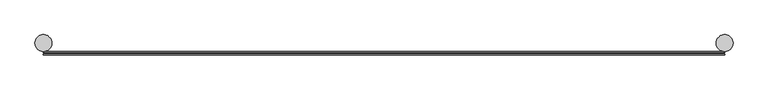
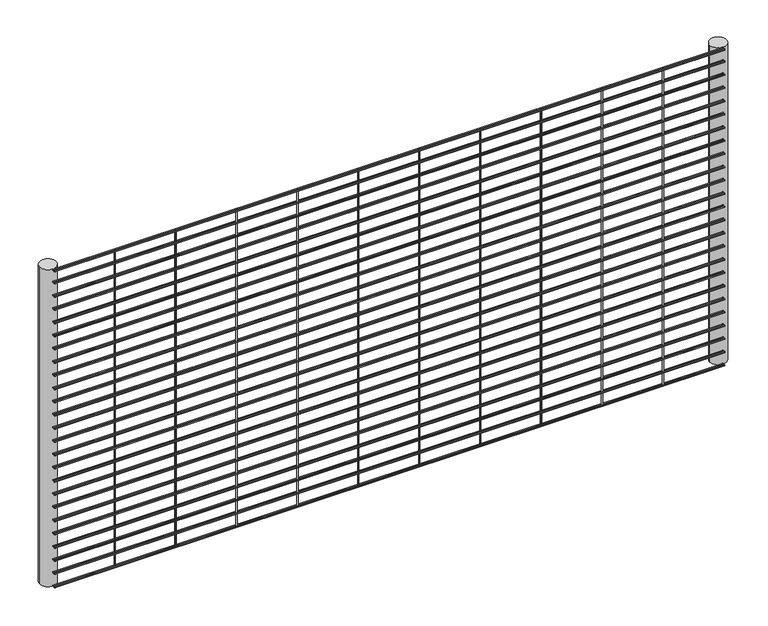
"""IFC4 building model written with IfcOpenShell, lengths in millimetres: railing geometry."""

from ifc_helpers import new_model, si_unit, point, frame, frame_2d, origin, place, context, project, spatial, circle_curve, trimmed, segment, composite_curve, outline, extrude, source, transform, mapped, element, save


def railing_84086abd(model_context):
    return source(origin(), model_context, "Body", "SweptSolid", [
        extrude(outline(composite_curve([segment(trimmed(circle_curve(frame_2d((6980.1754923, 54556.81875)), 2.0574), [point((6982.2328923, 54556.81875))], [point((6978.1180923, 54556.81875))], False, "CARTESIAN"), True, "CONTINUOUS"), segment(trimmed(circle_curve(frame_2d((6980.1754923, 54556.81875)), 2.0574), [point((6978.1180923, 54556.81875))], [point((6982.2328923, 54556.81875))], False, "CARTESIAN"), True, "CONTINUOUS")], self_intersect=False)), frame((-11489.0860839, 0.0, 0.0), z_axis=(1.0, 0.0, 0.0), x_axis=(0.0, 1.0, 0.0)), (0.0, 0.0, 1.0), 2438.4),
        extrude(outline(composite_curve([segment(trimmed(circle_curve(frame_2d((6988.3114298, 54556.81875)), 2.0574), [point((6990.3688298, 54556.81875))], [point((6986.2540298, 54556.81875))], False, "CARTESIAN"), True, "CONTINUOUS"), segment(trimmed(circle_curve(frame_2d((6988.3114298, 54556.81875)), 2.0574), [point((6986.2540298, 54556.81875))], [point((6990.3688298, 54556.81875))], False, "CARTESIAN"), True, "CONTINUOUS")], self_intersect=False)), frame((-11489.0860839, 0.0, 0.0), z_axis=(1.0, 0.0, 0.0), x_axis=(0.0, 1.0, 0.0)), (0.0, 0.0, 1.0), 2438.4),
        extrude(outline(composite_curve([segment(trimmed(circle_curve(frame_2d((6980.1754923, 54510.4835937)), 2.0574), [point((6982.2328923, 54510.4835937))], [point((6978.1180923, 54510.4835937))], False, "CARTESIAN"), True, "CONTINUOUS"), segment(trimmed(circle_curve(frame_2d((6980.1754923, 54510.4835937)), 2.0574), [point((6978.1180923, 54510.4835937))], [point((6982.2328923, 54510.4835937))], False, "CARTESIAN"), True, "CONTINUOUS")], self_intersect=False)), frame((-11489.0860839, 0.0, 0.0), z_axis=(1.0, 0.0, 0.0), x_axis=(0.0, 1.0, 0.0)), (0.0, 0.0, 1.0), 2438.4),
        extrude(outline(composite_curve([segment(trimmed(circle_curve(frame_2d((6988.3114298, 54510.4835937)), 2.0574), [point((6990.3688298, 54510.4835937))], [point((6986.2540298, 54510.4835937))], False, "CARTESIAN"), True, "CONTINUOUS"), segment(trimmed(circle_curve(frame_2d((6988.3114298, 54510.4835937)), 2.0574), [point((6986.2540298, 54510.4835937))], [point((6990.3688298, 54510.4835937))], False, "CARTESIAN"), True, "CONTINUOUS")], self_intersect=False)), frame((-11489.0860839, 0.0, 0.0), z_axis=(1.0, 0.0, 0.0), x_axis=(0.0, 1.0, 0.0)), (0.0, 0.0, 1.0), 2438.4),
        extrude(outline(composite_curve([segment(trimmed(circle_curve(frame_2d((6980.1754923, 54459.6835937)), 2.0574), [point((6982.2328923, 54459.6835937))], [point((6978.1180923, 54459.6835937))], False, "CARTESIAN"), True, "CONTINUOUS"), segment(trimmed(circle_curve(frame_2d((6980.1754923, 54459.6835937)), 2.0574), [point((6978.1180923, 54459.6835937))], [point((6982.2328923, 54459.6835937))], False, "CARTESIAN"), True, "CONTINUOUS")], self_intersect=False)), frame((-11489.0860839, 0.0, 0.0), z_axis=(1.0, 0.0, 0.0), x_axis=(0.0, 1.0, 0.0)), (0.0, 0.0, 1.0), 2438.4),
        extrude(outline(composite_curve([segment(trimmed(circle_curve(frame_2d((6988.3114298, 54459.6835937)), 2.0574), [point((6990.3688298, 54459.6835937))], [point((6986.2540298, 54459.6835937))], False, "CARTESIAN"), True, "CONTINUOUS"), segment(trimmed(circle_curve(frame_2d((6988.3114298, 54459.6835937)), 2.0574), [point((6986.2540298, 54459.6835937))], [point((6990.3688298, 54459.6835937))], False, "CARTESIAN"), True, "CONTINUOUS")], self_intersect=False)), frame((-11489.0860839, 0.0, 0.0), z_axis=(1.0, 0.0, 0.0), x_axis=(0.0, 1.0, 0.0)), (0.0, 0.0, 1.0), 2438.4),
        extrude(outline(composite_curve([segment(trimmed(circle_curve(frame_2d((6980.1754923, 54408.8835937)), 2.0574), [point((6982.2328923, 54408.8835937))], [point((6978.1180923, 54408.8835937))], False, "CARTESIAN"), True, "CONTINUOUS"), segment(trimmed(circle_curve(frame_2d((6980.1754923, 54408.8835937)), 2.0574), [point((6978.1180923, 54408.8835937))], [point((6982.2328923, 54408.8835937))], False, "CARTESIAN"), True, "CONTINUOUS")], self_intersect=False)), frame((-11489.0860839, 0.0, 0.0), z_axis=(1.0, 0.0, 0.0), x_axis=(0.0, 1.0, 0.0)), (0.0, 0.0, 1.0), 2438.4),
        extrude(outline(composite_curve([segment(trimmed(circle_curve(frame_2d((6988.3114298, 54408.8835937)), 2.0574), [point((6990.3688298, 54408.8835937))], [point((6986.2540298, 54408.8835937))], False, "CARTESIAN"), True, "CONTINUOUS"), segment(trimmed(circle_curve(frame_2d((6988.3114298, 54408.8835937)), 2.0574), [point((6986.2540298, 54408.8835937))], [point((6990.3688298, 54408.8835937))], False, "CARTESIAN"), True, "CONTINUOUS")], self_intersect=False)), frame((-11489.0860839, 0.0, 0.0), z_axis=(1.0, 0.0, 0.0), x_axis=(0.0, 1.0, 0.0)), (0.0, 0.0, 1.0), 2438.4),
        extrude(outline(composite_curve([segment(trimmed(circle_curve(frame_2d((6980.1754923, 54358.0835937)), 2.0574), [point((6982.2328923, 54358.0835937))], [point((6978.1180923, 54358.0835937))], False, "CARTESIAN"), True, "CONTINUOUS"), segment(trimmed(circle_curve(frame_2d((6980.1754923, 54358.0835937)), 2.0574), [point((6978.1180923, 54358.0835937))], [point((6982.2328923, 54358.0835937))], False, "CARTESIAN"), True, "CONTINUOUS")], self_intersect=False)), frame((-11489.0860839, 0.0, 0.0), z_axis=(1.0, 0.0, 0.0), x_axis=(0.0, 1.0, 0.0)), (0.0, 0.0, 1.0), 2438.4),
        extrude(outline(composite_curve([segment(trimmed(circle_curve(frame_2d((6988.3114298, 54358.0835937)), 2.0574), [point((6990.3688298, 54358.0835937))], [point((6986.2540298, 54358.0835937))], False, "CARTESIAN"), True, "CONTINUOUS"), segment(trimmed(circle_curve(frame_2d((6988.3114298, 54358.0835937)), 2.0574), [point((6986.2540298, 54358.0835937))], [point((6990.3688298, 54358.0835937))], False, "CARTESIAN"), True, "CONTINUOUS")], self_intersect=False)), frame((-11489.0860839, 0.0, 0.0), z_axis=(1.0, 0.0, 0.0), x_axis=(0.0, 1.0, 0.0)), (0.0, 0.0, 1.0), 2438.4),
        extrude(outline(composite_curve([segment(trimmed(circle_curve(frame_2d((6980.1754923, 54307.2835937)), 2.0574), [point((6982.2328923, 54307.2835937))], [point((6978.1180923, 54307.2835937))], False, "CARTESIAN"), True, "CONTINUOUS"), segment(trimmed(circle_curve(frame_2d((6980.1754923, 54307.2835937)), 2.0574), [point((6978.1180923, 54307.2835937))], [point((6982.2328923, 54307.2835937))], False, "CARTESIAN"), True, "CONTINUOUS")], self_intersect=False)), frame((-11489.0860839, 0.0, 0.0), z_axis=(1.0, 0.0, 0.0), x_axis=(0.0, 1.0, 0.0)), (0.0, 0.0, 1.0), 2438.4),
        extrude(outline(composite_curve([segment(trimmed(circle_curve(frame_2d((6988.3114298, 54307.2835937)), 2.0574), [point((6990.3688298, 54307.2835937))], [point((6986.2540298, 54307.2835937))], False, "CARTESIAN"), True, "CONTINUOUS"), segment(trimmed(circle_curve(frame_2d((6988.3114298, 54307.2835937)), 2.0574), [point((6986.2540298, 54307.2835937))], [point((6990.3688298, 54307.2835937))], False, "CARTESIAN"), True, "CONTINUOUS")], self_intersect=False)), frame((-11489.0860839, 0.0, 0.0), z_axis=(1.0, 0.0, 0.0), x_axis=(0.0, 1.0, 0.0)), (0.0, 0.0, 1.0), 2438.4),
        extrude(outline(composite_curve([segment(trimmed(circle_curve(frame_2d((6980.1754923, 54256.4835937)), 2.0574), [point((6982.2328923, 54256.4835937))], [point((6978.1180923, 54256.4835937))], False, "CARTESIAN"), True, "CONTINUOUS"), segment(trimmed(circle_curve(frame_2d((6980.1754923, 54256.4835937)), 2.0574), [point((6978.1180923, 54256.4835937))], [point((6982.2328923, 54256.4835937))], False, "CARTESIAN"), True, "CONTINUOUS")], self_intersect=False)), frame((-11489.0860839, 0.0, 0.0), z_axis=(1.0, 0.0, 0.0), x_axis=(0.0, 1.0, 0.0)), (0.0, 0.0, 1.0), 2438.4),
        extrude(outline(composite_curve([segment(trimmed(circle_curve(frame_2d((6988.3114298, 54256.4835937)), 2.0574), [point((6990.3688298, 54256.4835937))], [point((6986.2540298, 54256.4835937))], False, "CARTESIAN"), True, "CONTINUOUS"), segment(trimmed(circle_curve(frame_2d((6988.3114298, 54256.4835937)), 2.0574), [point((6986.2540298, 54256.4835937))], [point((6990.3688298, 54256.4835937))], False, "CARTESIAN"), True, "CONTINUOUS")], self_intersect=False)), frame((-11489.0860839, 0.0, 0.0), z_axis=(1.0, 0.0, 0.0), x_axis=(0.0, 1.0, 0.0)), (0.0, 0.0, 1.0), 2438.4),
        extrude(outline(composite_curve([segment(trimmed(circle_curve(frame_2d((6980.1754923, 54205.6835937)), 2.0574), [point((6982.2328923, 54205.6835937))], [point((6978.1180923, 54205.6835937))], False, "CARTESIAN"), True, "CONTINUOUS"), segment(trimmed(circle_curve(frame_2d((6980.1754923, 54205.6835937)), 2.0574), [point((6978.1180923, 54205.6835937))], [point((6982.2328923, 54205.6835937))], False, "CARTESIAN"), True, "CONTINUOUS")], self_intersect=False)), frame((-11489.0860839, 0.0, 0.0), z_axis=(1.0, 0.0, 0.0), x_axis=(0.0, 1.0, 0.0)), (0.0, 0.0, 1.0), 2438.4),
        extrude(outline(composite_curve([segment(trimmed(circle_curve(frame_2d((6988.3114298, 54205.6835937)), 2.0574), [point((6990.3688298, 54205.6835937))], [point((6986.2540298, 54205.6835937))], False, "CARTESIAN"), True, "CONTINUOUS"), segment(trimmed(circle_curve(frame_2d((6988.3114298, 54205.6835937)), 2.0574), [point((6986.2540298, 54205.6835937))], [point((6990.3688298, 54205.6835937))], False, "CARTESIAN"), True, "CONTINUOUS")], self_intersect=False)), frame((-11489.0860839, 0.0, 0.0), z_axis=(1.0, 0.0, 0.0), x_axis=(0.0, 1.0, 0.0)), (0.0, 0.0, 1.0), 2438.4),
        extrude(outline(composite_curve([segment(trimmed(circle_curve(frame_2d((6980.1754923, 54154.8835937)), 2.0574), [point((6982.2328923, 54154.8835937))], [point((6978.1180923, 54154.8835937))], False, "CARTESIAN"), True, "CONTINUOUS"), segment(trimmed(circle_curve(frame_2d((6980.1754923, 54154.8835937)), 2.0574), [point((6978.1180923, 54154.8835937))], [point((6982.2328923, 54154.8835937))], False, "CARTESIAN"), True, "CONTINUOUS")], self_intersect=False)), frame((-11489.0860839, 0.0, 0.0), z_axis=(1.0, 0.0, 0.0), x_axis=(0.0, 1.0, 0.0)), (0.0, 0.0, 1.0), 2438.4),
        extrude(outline(composite_curve([segment(trimmed(circle_curve(frame_2d((6988.3114298, 54154.8835937)), 2.0574), [point((6990.3688298, 54154.8835937))], [point((6986.2540298, 54154.8835937))], False, "CARTESIAN"), True, "CONTINUOUS"), segment(trimmed(circle_curve(frame_2d((6988.3114298, 54154.8835937)), 2.0574), [point((6986.2540298, 54154.8835937))], [point((6990.3688298, 54154.8835937))], False, "CARTESIAN"), True, "CONTINUOUS")], self_intersect=False)), frame((-11489.0860839, 0.0, 0.0), z_axis=(1.0, 0.0, 0.0), x_axis=(0.0, 1.0, 0.0)), (0.0, 0.0, 1.0), 2438.4),
        extrude(outline(composite_curve([segment(trimmed(circle_curve(frame_2d((6980.1754923, 54104.0835937)), 2.0574), [point((6982.2328923, 54104.0835937))], [point((6978.1180923, 54104.0835937))], False, "CARTESIAN"), True, "CONTINUOUS"), segment(trimmed(circle_curve(frame_2d((6980.1754923, 54104.0835937)), 2.0574), [point((6978.1180923, 54104.0835937))], [point((6982.2328923, 54104.0835937))], False, "CARTESIAN"), True, "CONTINUOUS")], self_intersect=False)), frame((-11489.0860839, 0.0, 0.0), z_axis=(1.0, 0.0, 0.0), x_axis=(0.0, 1.0, 0.0)), (0.0, 0.0, 1.0), 2438.4),
        extrude(outline(composite_curve([segment(trimmed(circle_curve(frame_2d((6988.3114298, 54104.0835937)), 2.0574), [point((6990.3688298, 54104.0835937))], [point((6986.2540298, 54104.0835937))], False, "CARTESIAN"), True, "CONTINUOUS"), segment(trimmed(circle_curve(frame_2d((6988.3114298, 54104.0835937)), 2.0574), [point((6986.2540298, 54104.0835937))], [point((6990.3688298, 54104.0835937))], False, "CARTESIAN"), True, "CONTINUOUS")], self_intersect=False)), frame((-11489.0860839, 0.0, 0.0), z_axis=(1.0, 0.0, 0.0), x_axis=(0.0, 1.0, 0.0)), (0.0, 0.0, 1.0), 2438.4),
        extrude(outline(composite_curve([segment(trimmed(circle_curve(frame_2d((6980.1754923, 54053.2835937)), 2.0574), [point((6982.2328923, 54053.2835937))], [point((6978.1180923, 54053.2835937))], False, "CARTESIAN"), True, "CONTINUOUS"), segment(trimmed(circle_curve(frame_2d((6980.1754923, 54053.2835937)), 2.0574), [point((6978.1180923, 54053.2835937))], [point((6982.2328923, 54053.2835937))], False, "CARTESIAN"), True, "CONTINUOUS")], self_intersect=False)), frame((-11489.0860839, 0.0, 0.0), z_axis=(1.0, 0.0, 0.0), x_axis=(0.0, 1.0, 0.0)), (0.0, 0.0, 1.0), 2438.4),
        extrude(outline(composite_curve([segment(trimmed(circle_curve(frame_2d((6988.3114298, 54053.2835937)), 2.0574), [point((6990.3688298, 54053.2835937))], [point((6986.2540298, 54053.2835937))], False, "CARTESIAN"), True, "CONTINUOUS"), segment(trimmed(circle_curve(frame_2d((6988.3114298, 54053.2835937)), 2.0574), [point((6986.2540298, 54053.2835937))], [point((6990.3688298, 54053.2835937))], False, "CARTESIAN"), True, "CONTINUOUS")], self_intersect=False)), frame((-11489.0860839, 0.0, 0.0), z_axis=(1.0, 0.0, 0.0), x_axis=(0.0, 1.0, 0.0)), (0.0, 0.0, 1.0), 2438.4),
        extrude(outline(composite_curve([segment(trimmed(circle_curve(frame_2d((6980.1754923, 54002.4835937)), 2.0574), [point((6982.2328923, 54002.4835937))], [point((6978.1180923, 54002.4835937))], False, "CARTESIAN"), True, "CONTINUOUS"), segment(trimmed(circle_curve(frame_2d((6980.1754923, 54002.4835937)), 2.0574), [point((6978.1180923, 54002.4835937))], [point((6982.2328923, 54002.4835937))], False, "CARTESIAN"), True, "CONTINUOUS")], self_intersect=False)), frame((-11489.0860839, 0.0, 0.0), z_axis=(1.0, 0.0, 0.0), x_axis=(0.0, 1.0, 0.0)), (0.0, 0.0, 1.0), 2438.4),
        extrude(outline(composite_curve([segment(trimmed(circle_curve(frame_2d((6988.3114298, 54002.4835937)), 2.0574), [point((6990.3688298, 54002.4835937))], [point((6986.2540298, 54002.4835937))], False, "CARTESIAN"), True, "CONTINUOUS"), segment(trimmed(circle_curve(frame_2d((6988.3114298, 54002.4835937)), 2.0574), [point((6986.2540298, 54002.4835937))], [point((6990.3688298, 54002.4835937))], False, "CARTESIAN"), True, "CONTINUOUS")], self_intersect=False)), frame((-11489.0860839, 0.0, 0.0), z_axis=(1.0, 0.0, 0.0), x_axis=(0.0, 1.0, 0.0)), (0.0, 0.0, 1.0), 2438.4),
        extrude(outline(composite_curve([segment(trimmed(circle_curve(frame_2d((6980.1754923, 53951.6835937)), 2.0574), [point((6982.2328923, 53951.6835937))], [point((6978.1180923, 53951.6835937))], False, "CARTESIAN"), True, "CONTINUOUS"), segment(trimmed(circle_curve(frame_2d((6980.1754923, 53951.6835937)), 2.0574), [point((6978.1180923, 53951.6835937))], [point((6982.2328923, 53951.6835937))], False, "CARTESIAN"), True, "CONTINUOUS")], self_intersect=False)), frame((-11489.0860839, 0.0, 0.0), z_axis=(1.0, 0.0, 0.0), x_axis=(0.0, 1.0, 0.0)), (0.0, 0.0, 1.0), 2438.4),
        extrude(outline(composite_curve([segment(trimmed(circle_curve(frame_2d((6988.3114298, 53951.6835937)), 2.0574), [point((6990.3688298, 53951.6835937))], [point((6986.2540298, 53951.6835937))], False, "CARTESIAN"), True, "CONTINUOUS"), segment(trimmed(circle_curve(frame_2d((6988.3114298, 53951.6835937)), 2.0574), [point((6986.2540298, 53951.6835937))], [point((6990.3688298, 53951.6835937))], False, "CARTESIAN"), True, "CONTINUOUS")], self_intersect=False)), frame((-11489.0860839, 0.0, 0.0), z_axis=(1.0, 0.0, 0.0), x_axis=(0.0, 1.0, 0.0)), (0.0, 0.0, 1.0), 2438.4),
        extrude(outline(composite_curve([segment(trimmed(circle_curve(frame_2d((6980.1754923, 53900.8835937)), 2.0574), [point((6982.2328923, 53900.8835937))], [point((6978.1180923, 53900.8835937))], False, "CARTESIAN"), True, "CONTINUOUS"), segment(trimmed(circle_curve(frame_2d((6980.1754923, 53900.8835937)), 2.0574), [point((6978.1180923, 53900.8835937))], [point((6982.2328923, 53900.8835937))], False, "CARTESIAN"), True, "CONTINUOUS")], self_intersect=False)), frame((-11489.0860839, 0.0, 0.0), z_axis=(1.0, 0.0, 0.0), x_axis=(0.0, 1.0, 0.0)), (0.0, 0.0, 1.0), 2438.4),
        extrude(outline(composite_curve([segment(trimmed(circle_curve(frame_2d((6988.3114298, 53900.8835937)), 2.0574), [point((6990.3688298, 53900.8835937))], [point((6986.2540298, 53900.8835937))], False, "CARTESIAN"), True, "CONTINUOUS"), segment(trimmed(circle_curve(frame_2d((6988.3114298, 53900.8835937)), 2.0574), [point((6986.2540298, 53900.8835937))], [point((6990.3688298, 53900.8835937))], False, "CARTESIAN"), True, "CONTINUOUS")], self_intersect=False)), frame((-11489.0860839, 0.0, 0.0), z_axis=(1.0, 0.0, 0.0), x_axis=(0.0, 1.0, 0.0)), (0.0, 0.0, 1.0), 2438.4),
        extrude(outline(composite_curve([segment(trimmed(circle_curve(frame_2d((6980.1754923, 53850.0835937)), 2.0574), [point((6982.2328923, 53850.0835937))], [point((6978.1180923, 53850.0835937))], False, "CARTESIAN"), True, "CONTINUOUS"), segment(trimmed(circle_curve(frame_2d((6980.1754923, 53850.0835937)), 2.0574), [point((6978.1180923, 53850.0835937))], [point((6982.2328923, 53850.0835937))], False, "CARTESIAN"), True, "CONTINUOUS")], self_intersect=False)), frame((-11489.0860839, 0.0, 0.0), z_axis=(1.0, 0.0, 0.0), x_axis=(0.0, 1.0, 0.0)), (0.0, 0.0, 1.0), 2438.4),
        extrude(outline(composite_curve([segment(trimmed(circle_curve(frame_2d((6988.3114298, 53850.0835937)), 2.0574), [point((6990.3688298, 53850.0835937))], [point((6986.2540298, 53850.0835937))], False, "CARTESIAN"), True, "CONTINUOUS"), segment(trimmed(circle_curve(frame_2d((6988.3114298, 53850.0835937)), 2.0574), [point((6986.2540298, 53850.0835937))], [point((6990.3688298, 53850.0835937))], False, "CARTESIAN"), True, "CONTINUOUS")], self_intersect=False)), frame((-11489.0860839, 0.0, 0.0), z_axis=(1.0, 0.0, 0.0), x_axis=(0.0, 1.0, 0.0)), (0.0, 0.0, 1.0), 2438.4),
        extrude(outline(composite_curve([segment(trimmed(circle_curve(frame_2d((6980.1754923, 53799.2835937)), 2.0574), [point((6982.2328923, 53799.2835937))], [point((6978.1180923, 53799.2835937))], False, "CARTESIAN"), True, "CONTINUOUS"), segment(trimmed(circle_curve(frame_2d((6980.1754923, 53799.2835937)), 2.0574), [point((6978.1180923, 53799.2835937))], [point((6982.2328923, 53799.2835937))], False, "CARTESIAN"), True, "CONTINUOUS")], self_intersect=False)), frame((-11489.0860839, 0.0, 0.0), z_axis=(1.0, 0.0, 0.0), x_axis=(0.0, 1.0, 0.0)), (0.0, 0.0, 1.0), 2438.4),
        extrude(outline(composite_curve([segment(trimmed(circle_curve(frame_2d((6988.3114298, 53799.2835937)), 2.0574), [point((6990.3688298, 53799.2835937))], [point((6986.2540298, 53799.2835937))], False, "CARTESIAN"), True, "CONTINUOUS"), segment(trimmed(circle_curve(frame_2d((6988.3114298, 53799.2835937)), 2.0574), [point((6986.2540298, 53799.2835937))], [point((6990.3688298, 53799.2835937))], False, "CARTESIAN"), True, "CONTINUOUS")], self_intersect=False)), frame((-11489.0860839, 0.0, 0.0), z_axis=(1.0, 0.0, 0.0), x_axis=(0.0, 1.0, 0.0)), (0.0, 0.0, 1.0), 2438.4),
        extrude(outline(composite_curve([segment(trimmed(circle_curve(frame_2d((6980.1754923, 53748.4835937)), 2.0574), [point((6982.2328923, 53748.4835937))], [point((6978.1180923, 53748.4835937))], False, "CARTESIAN"), True, "CONTINUOUS"), segment(trimmed(circle_curve(frame_2d((6980.1754923, 53748.4835937)), 2.0574), [point((6978.1180923, 53748.4835937))], [point((6982.2328923, 53748.4835937))], False, "CARTESIAN"), True, "CONTINUOUS")], self_intersect=False)), frame((-11489.0860839, 0.0, 0.0), z_axis=(1.0, 0.0, 0.0), x_axis=(0.0, 1.0, 0.0)), (0.0, 0.0, 1.0), 2438.4),
        extrude(outline(composite_curve([segment(trimmed(circle_curve(frame_2d((6988.3114298, 53748.4835937)), 2.0574), [point((6990.3688298, 53748.4835937))], [point((6986.2540298, 53748.4835937))], False, "CARTESIAN"), True, "CONTINUOUS"), segment(trimmed(circle_curve(frame_2d((6988.3114298, 53748.4835937)), 2.0574), [point((6986.2540298, 53748.4835937))], [point((6990.3688298, 53748.4835937))], False, "CARTESIAN"), True, "CONTINUOUS")], self_intersect=False)), frame((-11489.0860839, 0.0, 0.0), z_axis=(1.0, 0.0, 0.0), x_axis=(0.0, 1.0, 0.0)), (0.0, 0.0, 1.0), 2438.4),
        extrude(outline(composite_curve([segment(trimmed(circle_curve(frame_2d((6980.1754923, 53697.6835937)), 2.0574), [point((6982.2328923, 53697.6835937))], [point((6978.1180923, 53697.6835937))], False, "CARTESIAN"), True, "CONTINUOUS"), segment(trimmed(circle_curve(frame_2d((6980.1754923, 53697.6835937)), 2.0574), [point((6978.1180923, 53697.6835937))], [point((6982.2328923, 53697.6835937))], False, "CARTESIAN"), True, "CONTINUOUS")], self_intersect=False)), frame((-11489.0860839, 0.0, 0.0), z_axis=(1.0, 0.0, 0.0), x_axis=(0.0, 1.0, 0.0)), (0.0, 0.0, 1.0), 2438.4),
        extrude(outline(composite_curve([segment(trimmed(circle_curve(frame_2d((6988.3114298, 53697.6835937)), 2.0574), [point((6990.3688298, 53697.6835937))], [point((6986.2540298, 53697.6835937))], False, "CARTESIAN"), True, "CONTINUOUS"), segment(trimmed(circle_curve(frame_2d((6988.3114298, 53697.6835937)), 2.0574), [point((6986.2540298, 53697.6835937))], [point((6990.3688298, 53697.6835937))], False, "CARTESIAN"), True, "CONTINUOUS")], self_intersect=False)), frame((-11489.0860839, 0.0, 0.0), z_axis=(1.0, 0.0, 0.0), x_axis=(0.0, 1.0, 0.0)), (0.0, 0.0, 1.0), 2438.4),
        extrude(outline(composite_curve([segment(trimmed(circle_curve(frame_2d((6980.1754923, 53646.8835937)), 2.0574), [point((6982.2328923, 53646.8835937))], [point((6978.1180923, 53646.8835937))], False, "CARTESIAN"), True, "CONTINUOUS"), segment(trimmed(circle_curve(frame_2d((6980.1754923, 53646.8835937)), 2.0574), [point((6978.1180923, 53646.8835937))], [point((6982.2328923, 53646.8835937))], False, "CARTESIAN"), True, "CONTINUOUS")], self_intersect=False)), frame((-11489.0860839, 0.0, 0.0), z_axis=(1.0, 0.0, 0.0), x_axis=(0.0, 1.0, 0.0)), (0.0, 0.0, 1.0), 2438.4),
        extrude(outline(composite_curve([segment(trimmed(circle_curve(frame_2d((6988.3114298, 53646.8835937)), 2.0574), [point((6990.3688298, 53646.8835937))], [point((6986.2540298, 53646.8835937))], False, "CARTESIAN"), True, "CONTINUOUS"), segment(trimmed(circle_curve(frame_2d((6988.3114298, 53646.8835937)), 2.0574), [point((6986.2540298, 53646.8835937))], [point((6990.3688298, 53646.8835937))], False, "CARTESIAN"), True, "CONTINUOUS")], self_intersect=False)), frame((-11489.0860839, 0.0, 0.0), z_axis=(1.0, 0.0, 0.0), x_axis=(0.0, 1.0, 0.0)), (0.0, 0.0, 1.0), 2438.4),
        extrude(outline(composite_curve([segment(trimmed(circle_curve(frame_2d((6980.1754923, 53596.0835937)), 2.0574), [point((6982.2328923, 53596.0835937))], [point((6978.1180923, 53596.0835937))], False, "CARTESIAN"), True, "CONTINUOUS"), segment(trimmed(circle_curve(frame_2d((6980.1754923, 53596.0835937)), 2.0574), [point((6978.1180923, 53596.0835937))], [point((6982.2328923, 53596.0835937))], False, "CARTESIAN"), True, "CONTINUOUS")], self_intersect=False)), frame((-11489.0860839, 0.0, 0.0), z_axis=(1.0, 0.0, 0.0), x_axis=(0.0, 1.0, 0.0)), (0.0, 0.0, 1.0), 2438.4),
        extrude(outline(composite_curve([segment(trimmed(circle_curve(frame_2d((6988.3114298, 53596.0835937)), 2.0574), [point((6990.3688298, 53596.0835937))], [point((6986.2540298, 53596.0835937))], False, "CARTESIAN"), True, "CONTINUOUS"), segment(trimmed(circle_curve(frame_2d((6988.3114298, 53596.0835937)), 2.0574), [point((6986.2540298, 53596.0835937))], [point((6990.3688298, 53596.0835937))], False, "CARTESIAN"), True, "CONTINUOUS")], self_intersect=False)), frame((-11489.0860839, 0.0, 0.0), z_axis=(1.0, 0.0, 0.0), x_axis=(0.0, 1.0, 0.0)), (0.0, 0.0, 1.0), 2438.4),
        extrude(outline(composite_curve([segment(trimmed(circle_curve(frame_2d((6980.1754923, 53545.2835937)), 2.0574), [point((6982.2328923, 53545.2835937))], [point((6978.1180923, 53545.2835937))], False, "CARTESIAN"), True, "CONTINUOUS"), segment(trimmed(circle_curve(frame_2d((6980.1754923, 53545.2835937)), 2.0574), [point((6978.1180923, 53545.2835937))], [point((6982.2328923, 53545.2835937))], False, "CARTESIAN"), True, "CONTINUOUS")], self_intersect=False)), frame((-11489.0860839, 0.0, 0.0), z_axis=(1.0, 0.0, 0.0), x_axis=(0.0, 1.0, 0.0)), (0.0, 0.0, 1.0), 2438.4),
        extrude(outline(composite_curve([segment(trimmed(circle_curve(frame_2d((6988.3114298, 53545.2835937)), 2.0574), [point((6990.3688298, 53545.2835937))], [point((6986.2540298, 53545.2835937))], False, "CARTESIAN"), True, "CONTINUOUS"), segment(trimmed(circle_curve(frame_2d((6988.3114298, 53545.2835937)), 2.0574), [point((6986.2540298, 53545.2835937))], [point((6990.3688298, 53545.2835937))], False, "CARTESIAN"), True, "CONTINUOUS")], self_intersect=False)), frame((-11489.0860839, 0.0, 0.0), z_axis=(1.0, 0.0, 0.0), x_axis=(0.0, 1.0, 0.0)), (0.0, 0.0, 1.0), 2438.4),
        extrude(outline(composite_curve([segment(trimmed(circle_curve(frame_2d((6980.1754923, 53494.4835937)), 2.0574), [point((6982.2328923, 53494.4835937))], [point((6978.1180923, 53494.4835937))], False, "CARTESIAN"), True, "CONTINUOUS"), segment(trimmed(circle_curve(frame_2d((6980.1754923, 53494.4835937)), 2.0574), [point((6978.1180923, 53494.4835937))], [point((6982.2328923, 53494.4835937))], False, "CARTESIAN"), True, "CONTINUOUS")], self_intersect=False)), frame((-11489.0860839, 0.0, 0.0), z_axis=(1.0, 0.0, 0.0), x_axis=(0.0, 1.0, 0.0)), (0.0, 0.0, 1.0), 2438.4),
        extrude(outline(composite_curve([segment(trimmed(circle_curve(frame_2d((6988.3114298, 53494.4835937)), 2.0574), [point((6990.3688298, 53494.4835937))], [point((6986.2540298, 53494.4835937))], False, "CARTESIAN"), True, "CONTINUOUS"), segment(trimmed(circle_curve(frame_2d((6988.3114298, 53494.4835937)), 2.0574), [point((6986.2540298, 53494.4835937))], [point((6990.3688298, 53494.4835937))], False, "CARTESIAN"), True, "CONTINUOUS")], self_intersect=False)), frame((-11489.0860839, 0.0, 0.0), z_axis=(1.0, 0.0, 0.0), x_axis=(0.0, 1.0, 0.0)), (0.0, 0.0, 1.0), 2438.4),
        extrude(outline(composite_curve([segment(trimmed(circle_curve(frame_2d((6980.1754923, 53443.6835937)), 2.0574), [point((6982.2328923, 53443.6835937))], [point((6978.1180923, 53443.6835937))], False, "CARTESIAN"), True, "CONTINUOUS"), segment(trimmed(circle_curve(frame_2d((6980.1754923, 53443.6835937)), 2.0574), [point((6978.1180923, 53443.6835937))], [point((6982.2328923, 53443.6835937))], False, "CARTESIAN"), True, "CONTINUOUS")], self_intersect=False)), frame((-11489.0860839, 0.0, 0.0), z_axis=(1.0, 0.0, 0.0), x_axis=(0.0, 1.0, 0.0)), (0.0, 0.0, 1.0), 2438.4),
        extrude(outline(composite_curve([segment(trimmed(circle_curve(frame_2d((6988.3114298, 53443.6835937)), 2.0574), [point((6990.3688298, 53443.6835937))], [point((6986.2540298, 53443.6835937))], False, "CARTESIAN"), True, "CONTINUOUS"), segment(trimmed(circle_curve(frame_2d((6988.3114298, 53443.6835937)), 2.0574), [point((6986.2540298, 53443.6835937))], [point((6990.3688298, 53443.6835937))], False, "CARTESIAN"), True, "CONTINUOUS")], self_intersect=False)), frame((-11489.0860839, 0.0, 0.0), z_axis=(1.0, 0.0, 0.0), x_axis=(0.0, 1.0, 0.0)), (0.0, 0.0, 1.0), 2438.4),
        extrude(outline(composite_curve([segment(trimmed(circle_curve(frame_2d((6980.1754923, 53392.8835937)), 2.0574), [point((6982.2328923, 53392.8835937))], [point((6978.1180923, 53392.8835937))], False, "CARTESIAN"), True, "CONTINUOUS"), segment(trimmed(circle_curve(frame_2d((6980.1754923, 53392.8835937)), 2.0574), [point((6978.1180923, 53392.8835937))], [point((6982.2328923, 53392.8835937))], False, "CARTESIAN"), True, "CONTINUOUS")], self_intersect=False)), frame((-11489.0860839, 0.0, 0.0), z_axis=(1.0, 0.0, 0.0), x_axis=(0.0, 1.0, 0.0)), (0.0, 0.0, 1.0), 2438.4),
        extrude(outline(composite_curve([segment(trimmed(circle_curve(frame_2d((6988.3114298, 53392.8835937)), 2.0574), [point((6990.3688298, 53392.8835937))], [point((6986.2540298, 53392.8835937))], False, "CARTESIAN"), True, "CONTINUOUS"), segment(trimmed(circle_curve(frame_2d((6988.3114298, 53392.8835937)), 2.0574), [point((6986.2540298, 53392.8835937))], [point((6990.3688298, 53392.8835937))], False, "CARTESIAN"), True, "CONTINUOUS")], self_intersect=False)), frame((-11489.0860839, 0.0, 0.0), z_axis=(1.0, 0.0, 0.0), x_axis=(0.0, 1.0, 0.0)), (0.0, 0.0, 1.0), 2438.4),
        extrude(outline(composite_curve([segment(trimmed(circle_curve(frame_2d((6980.1754923, 53342.0835937)), 2.0574), [point((6982.2328923, 53342.0835937))], [point((6978.1180923, 53342.0835937))], False, "CARTESIAN"), True, "CONTINUOUS"), segment(trimmed(circle_curve(frame_2d((6980.1754923, 53342.0835937)), 2.0574), [point((6978.1180923, 53342.0835937))], [point((6982.2328923, 53342.0835937))], False, "CARTESIAN"), True, "CONTINUOUS")], self_intersect=False)), frame((-11489.0860839, 0.0, 0.0), z_axis=(1.0, 0.0, 0.0), x_axis=(0.0, 1.0, 0.0)), (0.0, 0.0, 1.0), 2438.4),
        extrude(outline(composite_curve([segment(trimmed(circle_curve(frame_2d((6988.3114298, 53342.0835937)), 2.0574), [point((6990.3688298, 53342.0835937))], [point((6986.2540298, 53342.0835937))], False, "CARTESIAN"), True, "CONTINUOUS"), segment(trimmed(circle_curve(frame_2d((6988.3114298, 53342.0835937)), 2.0574), [point((6986.2540298, 53342.0835937))], [point((6990.3688298, 53342.0835937))], False, "CARTESIAN"), True, "CONTINUOUS")], self_intersect=False)), frame((-11489.0860839, 0.0, 0.0), z_axis=(1.0, 0.0, 0.0), x_axis=(0.0, 1.0, 0.0)), (0.0, 0.0, 1.0), 2438.4),
        extrude(outline(composite_curve([segment(trimmed(circle_curve(frame_2d((-9272.3588112, 6984.243461)), 2.0574), [point((-9270.3014112, 6984.243461))], [point((-9274.4162112, 6984.243461))], False, "CARTESIAN"), True, "CONTINUOUS"), segment(trimmed(circle_curve(frame_2d((-9272.3588112, 6984.243461)), 2.0574), [point((-9274.4162112, 6984.243461))], [point((-9270.3014112, 6984.243461))], False, "CARTESIAN"), True, "CONTINUOUS")], self_intersect=False)), frame((0.0, 0.0, 53340.0), z_axis=(0.0, 0.0, 1.0), x_axis=(1.0, 0.0, 0.0)), (0.0, 0.0, 1.0), 1219.2),
        extrude(outline(composite_curve([segment(trimmed(circle_curve(frame_2d((-9494.0315384, 6984.243461)), 2.0574), [point((-9491.9741384, 6984.243461))], [point((-9496.0889384, 6984.243461))], False, "CARTESIAN"), True, "CONTINUOUS"), segment(trimmed(circle_curve(frame_2d((-9494.0315384, 6984.243461)), 2.0574), [point((-9496.0889384, 6984.243461))], [point((-9491.9741384, 6984.243461))], False, "CARTESIAN"), True, "CONTINUOUS")], self_intersect=False)), frame((0.0, 0.0, 53340.0), z_axis=(0.0, 0.0, 1.0), x_axis=(1.0, 0.0, 0.0)), (0.0, 0.0, 1.0), 1219.2),
        extrude(outline(composite_curve([segment(trimmed(circle_curve(frame_2d((-9715.7042657, 6984.243461)), 2.0574), [point((-9713.6468657, 6984.243461))], [point((-9717.7616657, 6984.243461))], False, "CARTESIAN"), True, "CONTINUOUS"), segment(trimmed(circle_curve(frame_2d((-9715.7042657, 6984.243461)), 2.0574), [point((-9717.7616657, 6984.243461))], [point((-9713.6468657, 6984.243461))], False, "CARTESIAN"), True, "CONTINUOUS")], self_intersect=False)), frame((0.0, 0.0, 53340.0), z_axis=(0.0, 0.0, 1.0), x_axis=(1.0, 0.0, 0.0)), (0.0, 0.0, 1.0), 1219.2),
        extrude(outline(composite_curve([segment(trimmed(circle_curve(frame_2d((-9937.376993, 6984.243461)), 2.0574), [point((-9935.319593, 6984.243461))], [point((-9939.434393, 6984.243461))], False, "CARTESIAN"), True, "CONTINUOUS"), segment(trimmed(circle_curve(frame_2d((-9937.376993, 6984.243461)), 2.0574), [point((-9939.434393, 6984.243461))], [point((-9935.319593, 6984.243461))], False, "CARTESIAN"), True, "CONTINUOUS")], self_intersect=False)), frame((0.0, 0.0, 53340.0), z_axis=(0.0, 0.0, 1.0), x_axis=(1.0, 0.0, 0.0)), (0.0, 0.0, 1.0), 1219.2),
        extrude(outline(composite_curve([segment(trimmed(circle_curve(frame_2d((-10159.0497203, 6984.243461)), 2.0574), [point((-10156.9923203, 6984.243461))], [point((-10161.1071203, 6984.243461))], False, "CARTESIAN"), True, "CONTINUOUS"), segment(trimmed(circle_curve(frame_2d((-10159.0497203, 6984.243461)), 2.0574), [point((-10161.1071203, 6984.243461))], [point((-10156.9923203, 6984.243461))], False, "CARTESIAN"), True, "CONTINUOUS")], self_intersect=False)), frame((0.0, 0.0, 53340.0), z_axis=(0.0, 0.0, 1.0), x_axis=(1.0, 0.0, 0.0)), (0.0, 0.0, 1.0), 1219.2),
        extrude(outline(composite_curve([segment(trimmed(circle_curve(frame_2d((-10380.7224475, 6984.243461)), 2.0574), [point((-10378.6650475, 6984.243461))], [point((-10382.7798475, 6984.243461))], False, "CARTESIAN"), True, "CONTINUOUS"), segment(trimmed(circle_curve(frame_2d((-10380.7224475, 6984.243461)), 2.0574), [point((-10382.7798475, 6984.243461))], [point((-10378.6650475, 6984.243461))], False, "CARTESIAN"), True, "CONTINUOUS")], self_intersect=False)), frame((0.0, 0.0, 53340.0), z_axis=(0.0, 0.0, 1.0), x_axis=(1.0, 0.0, 0.0)), (0.0, 0.0, 1.0), 1219.2),
        extrude(outline(composite_curve([segment(trimmed(circle_curve(frame_2d((-10602.3951748, 6984.243461)), 2.0574), [point((-10600.3377748, 6984.243461))], [point((-10604.4525748, 6984.243461))], False, "CARTESIAN"), True, "CONTINUOUS"), segment(trimmed(circle_curve(frame_2d((-10602.3951748, 6984.243461)), 2.0574), [point((-10604.4525748, 6984.243461))], [point((-10600.3377748, 6984.243461))], False, "CARTESIAN"), True, "CONTINUOUS")], self_intersect=False)), frame((0.0, 0.0, 53340.0), z_axis=(0.0, 0.0, 1.0), x_axis=(1.0, 0.0, 0.0)), (0.0, 0.0, 1.0), 1219.2),
        extrude(outline(composite_curve([segment(trimmed(circle_curve(frame_2d((-10824.0679021, 6984.243461)), 2.0574), [point((-10822.0105021, 6984.243461))], [point((-10826.1253021, 6984.243461))], False, "CARTESIAN"), True, "CONTINUOUS"), segment(trimmed(circle_curve(frame_2d((-10824.0679021, 6984.243461)), 2.0574), [point((-10826.1253021, 6984.243461))], [point((-10822.0105021, 6984.243461))], False, "CARTESIAN"), True, "CONTINUOUS")], self_intersect=False)), frame((0.0, 0.0, 53340.0), z_axis=(0.0, 0.0, 1.0), x_axis=(1.0, 0.0, 0.0)), (0.0, 0.0, 1.0), 1219.2),
        extrude(outline(composite_curve([segment(trimmed(circle_curve(frame_2d((-11045.7406293, 6984.243461)), 2.0574), [point((-11043.6832293, 6984.243461))], [point((-11047.7980293, 6984.243461))], False, "CARTESIAN"), True, "CONTINUOUS"), segment(trimmed(circle_curve(frame_2d((-11045.7406293, 6984.243461)), 2.0574), [point((-11047.7980293, 6984.243461))], [point((-11043.6832293, 6984.243461))], False, "CARTESIAN"), True, "CONTINUOUS")], self_intersect=False)), frame((0.0, 0.0, 53340.0), z_axis=(0.0, 0.0, 1.0), x_axis=(1.0, 0.0, 0.0)), (0.0, 0.0, 1.0), 1219.2),
        extrude(outline(composite_curve([segment(trimmed(circle_curve(frame_2d((-11267.4133566, 6984.243461)), 2.0574), [point((-11265.3559566, 6984.243461))], [point((-11269.4707566, 6984.243461))], False, "CARTESIAN"), True, "CONTINUOUS"), segment(trimmed(circle_curve(frame_2d((-11267.4133566, 6984.243461)), 2.0574), [point((-11269.4707566, 6984.243461))], [point((-11265.3559566, 6984.243461))], False, "CARTESIAN"), True, "CONTINUOUS")], self_intersect=False)), frame((0.0, 0.0, 53340.0), z_axis=(0.0, 0.0, 1.0), x_axis=(1.0, 0.0, 0.0)), (0.0, 0.0, 1.0), 1219.2),
        extrude(outline(composite_curve([segment(trimmed(circle_curve(frame_2d((-9050.6860839, 7020.755961)), 30.1625), [point((-9080.8485839, 7020.755961))], [point((-9020.5235839, 7020.755961))], False, "CARTESIAN"), True, "CONTINUOUS"), segment(trimmed(circle_curve(frame_2d((-9050.6860839, 7020.755961)), 30.1625), [point((-9020.5235839, 7020.755961))], [point((-9080.8485839, 7020.755961))], False, "CARTESIAN"), True, "CONTINUOUS")], self_intersect=False)), frame((0.0, 0.0, 53340.0), z_axis=(0.0, 0.0, 1.0), x_axis=(1.0, 0.0, 0.0)), (0.0, 0.0, 1.0), 1219.2),
        extrude(outline(composite_curve([segment(trimmed(circle_curve(frame_2d((-11489.0860839, 7020.755961)), 30.1625), [point((-11519.2485839, 7020.755961))], [point((-11458.9235839, 7020.755961))], False, "CARTESIAN"), True, "CONTINUOUS"), segment(trimmed(circle_curve(frame_2d((-11489.0860839, 7020.755961)), 30.1625), [point((-11458.9235839, 7020.755961))], [point((-11519.2485839, 7020.755961))], False, "CARTESIAN"), True, "CONTINUOUS")], self_intersect=False)), frame((0.0, 0.0, 53340.0), z_axis=(0.0, 0.0, 1.0), x_axis=(1.0, 0.0, 0.0)), (0.0, 0.0, 1.0), 1219.2),
    ])


if __name__ == "__main__":
    model = new_model("IFC4")
    model_context = context("Model", 3, world=origin())
    ifc_project = project(units=[si_unit("LENGTHUNIT", "METRE", prefix="MILLI")], contexts=[model_context])
    site = spatial("IfcSite", under=ifc_project)
    building = spatial("IfcBuilding", under=site)
    placement = place(None, origin())
    railing_shape = railing_84086abd(model_context)
    element("IfcRailing", 1, at=placement, inside=building, context=model_context, shape_type="MappedRepresentation", body=[
        mapped(railing_shape, transform((0.0, 0.0, 0.0), x_axis=(1.0, 0.0, 0.0), y_axis=(0.0, 1.0, 0.0), z_axis=(0.0, 0.0, 1.0))),
    ])
    save(model, "model.ifc")
